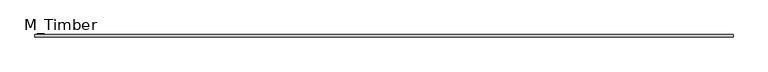
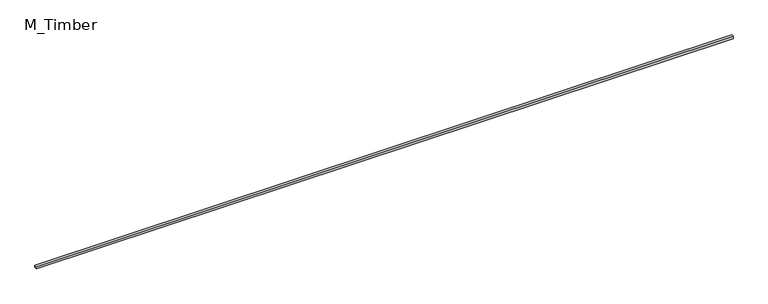
"""IFC4 building model written with IfcOpenShell, lengths in millimetres: beam geometry, M_Timber."""

from ifc_helpers import new_model, si_unit, frame, origin, place, context, project, spatial, polyline, outline, extrude, source, transform, mapped, element, save


def m_timber_fda32521(model_context):
    return source(origin(), model_context, "Body", "SweptSolid", [
        extrude(outline(polyline([(5714.5886579, 20.0), (5714.5886579, -20.0), (-5714.5886579, -20.0), (-5714.5886579, 20.0), (5714.5886579, 20.0)])), frame((0.0, 0.0, -20.0), z_axis=(0.0, 0.0, 1.0), x_axis=(1.0, 0.0, 0.0)), (0.0, 0.0, 1.0), 40.0),
    ])


if __name__ == "__main__":
    model = new_model("IFC4")
    model_context = context("Model", 3, world=origin())
    ifc_project = project(units=[si_unit("LENGTHUNIT", "METRE", prefix="MILLI")], contexts=[model_context])
    site = spatial("IfcSite", under=ifc_project)
    building = spatial("IfcBuilding", under=site)
    placement = place(None, origin())
    m_timber_shape = m_timber_fda32521(model_context)
    element("IfcBeam", 1, ObjectType="M_Timber", at=placement, inside=building, context=model_context, shape_type="MappedRepresentation", body=[
        mapped(m_timber_shape, transform((0.0, 0.0, 0.0), x_axis=(1.0, 0.0, 0.0), y_axis=(0.0, 1.0, 0.0), z_axis=(0.0, 0.0, 1.0))),
    ])
    save(model, "model.ifc")
